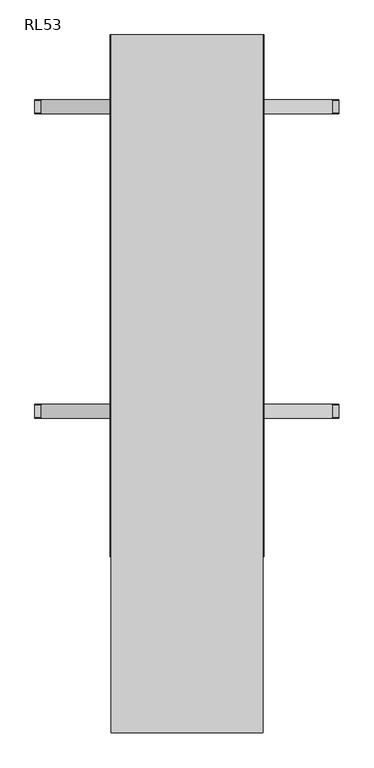
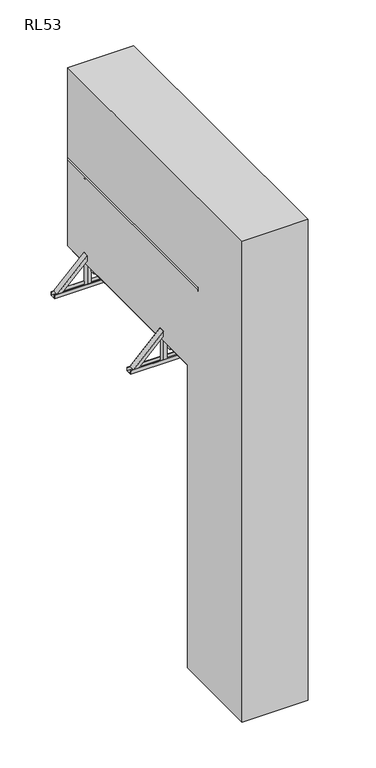
"""IFC4 building model written with IfcOpenShell, lengths in millimetres: proxy geometry, RL53."""

from ifc_helpers import new_model, si_unit, point, frame, frame_2d, origin, place, context, project, spatial, polyline, circle_curve, trimmed, segment, composite_curve, outline, extrude, faceted_brep, source, transform, mapped, element, save
from ifc_brep_helpers import plane_surface, cylinder_surface, advanced_brep


def rl53_a4d0a04e(model_context):
    return source(origin(), model_context, "Body", "SolidModel", [
        extrude(outline(composite_curve([segment(polyline([(-53.0, 3074.8181818), (-53.0, 3091.8181818)]), True, "CONTINUOUS"), segment(trimmed(circle_curve(frame_2d((-30.5, 3078.847028)), 25.9711538), [point((-53.0, 3091.8181818))], [point((-8.0, 3091.8181818))], False, "CARTESIAN"), True, "CONTINUOUS"), segment(polyline([(-8.0, 3091.8181818), (-8.0, 3074.8181818), (-53.0, 3074.8181818)]), True, "CONTINUOUS")], self_intersect=False)), frame((-262.0, 0.0, 0.0), z_axis=(1.0, 0.0, 0.0), x_axis=(0.0, 1.0, 0.0)), (0.0, 0.0, 1.0), 524.0),
        extrude(outline(composite_curve([segment(polyline([(-53.0, 2779.6363636), (-53.0, 2796.6363636)]), True, "CONTINUOUS"), segment(trimmed(circle_curve(frame_2d((-30.5, 2783.6652098)), 25.9711538), [point((-53.0, 2796.6363636))], [point((-8.0, 2796.6363636))], False, "CARTESIAN"), True, "CONTINUOUS"), segment(polyline([(-8.0, 2796.6363636), (-8.0, 2779.6363636), (-53.0, 2779.6363636)]), True, "CONTINUOUS")], self_intersect=False)), frame((-262.0, 0.0, 0.0), z_axis=(1.0, 0.0, 0.0), x_axis=(0.0, 1.0, 0.0)), (0.0, 0.0, 1.0), 524.0),
        extrude(outline(composite_curve([segment(polyline([(-53.0, 2484.4545455), (-53.0, 2501.4545455)]), True, "CONTINUOUS"), segment(trimmed(circle_curve(frame_2d((-30.5, 2488.4833916)), 25.9711538), [point((-53.0, 2501.4545455))], [point((-8.0, 2501.4545455))], False, "CARTESIAN"), True, "CONTINUOUS"), segment(polyline([(-8.0, 2501.4545455), (-8.0, 2484.4545455), (-53.0, 2484.4545455)]), True, "CONTINUOUS")], self_intersect=False)), frame((-262.0, 0.0, 0.0), z_axis=(1.0, 0.0, 0.0), x_axis=(0.0, 1.0, 0.0)), (0.0, 0.0, 1.0), 524.0),
        extrude(outline(composite_curve([segment(polyline([(-53.0, 2189.2727273), (-53.0, 2206.2727273)]), True, "CONTINUOUS"), segment(trimmed(circle_curve(frame_2d((-30.5, 2193.3015734)), 25.9711538), [point((-53.0, 2206.2727273))], [point((-8.0, 2206.2727273))], False, "CARTESIAN"), True, "CONTINUOUS"), segment(polyline([(-8.0, 2206.2727273), (-8.0, 2189.2727273), (-53.0, 2189.2727273)]), True, "CONTINUOUS")], self_intersect=False)), frame((-262.0, 0.0, 0.0), z_axis=(1.0, 0.0, 0.0), x_axis=(0.0, 1.0, 0.0)), (0.0, 0.0, 1.0), 524.0),
        extrude(outline(composite_curve([segment(polyline([(-53.0, 1894.0909091), (-53.0, 1911.0909091)]), True, "CONTINUOUS"), segment(trimmed(circle_curve(frame_2d((-30.5, 1898.1197552)), 25.9711538), [point((-53.0, 1911.0909091))], [point((-8.0, 1911.0909091))], False, "CARTESIAN"), True, "CONTINUOUS"), segment(polyline([(-8.0, 1911.0909091), (-8.0, 1894.0909091), (-53.0, 1894.0909091)]), True, "CONTINUOUS")], self_intersect=False)), frame((-262.0, 0.0, 0.0), z_axis=(1.0, 0.0, 0.0), x_axis=(0.0, 1.0, 0.0)), (0.0, 0.0, 1.0), 524.0),
        extrude(outline(composite_curve([segment(polyline([(-53.0, 1598.9090909), (-53.0, 1615.9090909)]), True, "CONTINUOUS"), segment(trimmed(circle_curve(frame_2d((-30.5, 1602.9379371)), 25.9711538), [point((-53.0, 1615.9090909))], [point((-8.0, 1615.9090909))], False, "CARTESIAN"), True, "CONTINUOUS"), segment(polyline([(-8.0, 1615.9090909), (-8.0, 1598.9090909), (-53.0, 1598.9090909)]), True, "CONTINUOUS")], self_intersect=False)), frame((-262.0, 0.0, 0.0), z_axis=(1.0, 0.0, 0.0), x_axis=(0.0, 1.0, 0.0)), (0.0, 0.0, 1.0), 524.0),
        extrude(outline(composite_curve([segment(polyline([(-53.0, 1303.7272727), (-53.0, 1320.7272727)]), True, "CONTINUOUS"), segment(trimmed(circle_curve(frame_2d((-30.5, 1307.7561189)), 25.9711538), [point((-53.0, 1320.7272727))], [point((-8.0, 1320.7272727))], False, "CARTESIAN"), True, "CONTINUOUS"), segment(polyline([(-8.0, 1320.7272727), (-8.0, 1303.7272727), (-53.0, 1303.7272727)]), True, "CONTINUOUS")], self_intersect=False)), frame((-262.0, 0.0, 0.0), z_axis=(1.0, 0.0, 0.0), x_axis=(0.0, 1.0, 0.0)), (0.0, 0.0, 1.0), 524.0),
        extrude(outline(composite_curve([segment(polyline([(-53.0, 1008.5454545), (-53.0, 1025.5454545)]), True, "CONTINUOUS"), segment(trimmed(circle_curve(frame_2d((-30.5, 1012.5743007)), 25.9711538), [point((-53.0, 1025.5454545))], [point((-8.0, 1025.5454545))], False, "CARTESIAN"), True, "CONTINUOUS"), segment(polyline([(-8.0, 1025.5454545), (-8.0, 1008.5454545), (-53.0, 1008.5454545)]), True, "CONTINUOUS")], self_intersect=False)), frame((-262.0, 0.0, 0.0), z_axis=(1.0, 0.0, 0.0), x_axis=(0.0, 1.0, 0.0)), (0.0, 0.0, 1.0), 524.0),
        extrude(outline(composite_curve([segment(polyline([(-53.0, 713.3636364), (-53.0, 730.3636364)]), True, "CONTINUOUS"), segment(trimmed(circle_curve(frame_2d((-30.5, 717.3924825)), 25.9711538), [point((-53.0, 730.3636364))], [point((-8.0, 730.3636364))], False, "CARTESIAN"), True, "CONTINUOUS"), segment(polyline([(-8.0, 730.3636364), (-8.0, 713.3636364), (-53.0, 713.3636364)]), True, "CONTINUOUS")], self_intersect=False)), frame((-262.0, 0.0, 0.0), z_axis=(1.0, 0.0, 0.0), x_axis=(0.0, 1.0, 0.0)), (0.0, 0.0, 1.0), 524.0),
        extrude(outline(composite_curve([segment(polyline([(-53.0, 418.1818182), (-53.0, 435.1818182)]), True, "CONTINUOUS"), segment(trimmed(circle_curve(frame_2d((-30.5, 422.2106643)), 25.9711538), [point((-53.0, 435.1818182))], [point((-8.0, 435.1818182))], False, "CARTESIAN"), True, "CONTINUOUS"), segment(polyline([(-8.0, 435.1818182), (-8.0, 418.1818182), (-53.0, 418.1818182)]), True, "CONTINUOUS")], self_intersect=False)), frame((-262.0, 0.0, 0.0), z_axis=(1.0, 0.0, 0.0), x_axis=(0.0, 1.0, 0.0)), (0.0, 0.0, 1.0), 524.0),
        extrude(outline(composite_curve([segment(polyline([(-53.0, 3370.0), (-53.0, 3387.0)]), True, "CONTINUOUS"), segment(trimmed(circle_curve(frame_2d((-30.5, 3374.0288462)), 25.9711538), [point((-53.0, 3387.0))], [point((-8.0, 3387.0))], False, "CARTESIAN"), True, "CONTINUOUS"), segment(polyline([(-8.0, 3387.0), (-8.0, 3370.0), (-53.0, 3370.0)]), True, "CONTINUOUS")], self_intersect=False)), frame((-262.0, 0.0, 0.0), z_axis=(1.0, 0.0, 0.0), x_axis=(0.0, 1.0, 0.0)), (0.0, 0.0, 1.0), 524.0),
        extrude(outline(composite_curve([segment(polyline([(-53.0, 123.0), (-53.0, 140.0)]), True, "CONTINUOUS"), segment(trimmed(circle_curve(frame_2d((-30.5, 127.0288462)), 25.9711538), [point((-53.0, 140.0))], [point((-8.0, 140.0))], False, "CARTESIAN"), True, "CONTINUOUS"), segment(polyline([(-8.0, 140.0), (-8.0, 123.0), (-53.0, 123.0)]), True, "CONTINUOUS")], self_intersect=False)), frame((-262.0, 0.0, 0.0), z_axis=(1.0, 0.0, 0.0), x_axis=(0.0, 1.0, 0.0)), (0.0, 0.0, 1.0), 524.0),
        extrude(outline(polyline([(300.0, -59.5), (262.0, -59.5), (262.0, -1.5), (300.0, -1.5), (300.0, -59.5)])), frame((0.0, 0.0, 3.0), z_axis=(0.0, 0.0, 1.0), x_axis=(1.0, 0.0, 0.0)), (0.0, 0.0, 1.0), 4447.0),
        extrude(outline(polyline([(-262.0, -59.5), (-300.0, -59.5), (-300.0, -1.5), (-262.0, -1.5), (-262.0, -59.5)])), frame((0.0, 0.0, 3.0), z_axis=(0.0, 0.0, 1.0), x_axis=(1.0, 0.0, 0.0)), (0.0, 0.0, 1.0), 4447.0),
        faceted_brep([(-303.5, -250.5, 0.0), (-250.5, -250.5, 0.0), (-250.5, -250.5, 3.0), (-300.5, -250.5, 3.0), (-303.5, -250.5, 3.0), (-300.5, 109.5, 3.0), (-250.5, 109.5, 3.0), (-250.5, 109.5, 0.0), (-303.5, 109.5, 0.0), (-303.5, 109.5, 3.0), (-300.5, -203.5, 50.0), (-300.5, 62.5, 50.0), (-303.5, 62.5, 50.0), (-303.5, -203.5, 50.0)], [[[0, 1, 2, 3, 4]], [[5, 6, 7, 8, 9]], [[10, 11, 12, 13]], [[8, 0, 4, 13, 12, 9]], [[1, 0, 8, 7]], [[2, 1, 7, 6]], [[3, 2, 6, 5]], [[3, 5, 11, 10]], [[5, 9, 12, 11]], [[4, 3, 10, 13]]]),
        faceted_brep([(300.5, -250.5, 3.0), (250.5, -250.5, 3.0), (250.5, -250.5, 0.0), (303.5, -250.5, 0.0), (303.5, -250.5, 3.0), (303.5, 109.5, 0.0), (250.5, 109.5, 0.0), (250.5, 109.5, 3.0), (300.5, 109.5, 3.0), (303.5, 109.5, 3.0), (303.5, 62.5, 50.0), (303.5, -203.5, 50.0), (300.5, 62.5, 50.0), (300.5, -203.5, 50.0)], [[[0, 1, 2, 3, 4]], [[5, 6, 7, 8, 9]], [[1, 0, 8, 7]], [[2, 1, 7, 6]], [[3, 2, 6, 5]], [[3, 5, 9, 10, 11, 4]], [[11, 10, 12, 13]], [[8, 0, 13, 12]], [[9, 8, 12, 10]], [[0, 4, 11, 13]]]),
        advanced_brep(
        [(309.5, 2400.0, 3886.25), (309.5, 2400.0, 3859.75), (309.5, 41.3809842, 3886.25), (309.5, 41.3809842, 3859.75), (294.5187617, 41.3809842, 3893.0)],
        [
            (0, 1),
            (1, 0, circle_curve(frame((294.5187617, 2400.0, 3873.0), z_axis=(0.0, 1.0, 0.0), x_axis=(-1.0, 0.0, 0.0)), 20.0)),
            (0, 2),
            (2, 3),
            (3, 1),
            (3, 4, circle_curve(frame((294.5187617, 41.3809842, 3873.0), z_axis=(0.0, 1.0, 0.0), x_axis=(-1.0, 0.0, 0.0)), 20.0)),
            (4, 2, circle_curve(frame((294.5187617, 41.3809842, 3873.0), z_axis=(0.0, 1.0, 0.0), x_axis=(-1.0, 0.0, 0.0)), 20.0)),
        ],
        [
            plane_surface(frame((274.5187617, 2400.0, 3873.0), z_axis=(0.0, 1.0, 0.0), x_axis=(0.0, 0.0, 1.0))),
            plane_surface(frame((309.5, 0.0, 3859.75), z_axis=(1.0, 0.0, 0.0), x_axis=(0.0, 1.0, 0.0))),
            cylinder_surface(frame((294.5187617, 2400.0, 3873.0), z_axis=(0.0, -1.0, 0.0), x_axis=(-1.0, 0.0, 0.0)), 20.0),
            plane_surface(frame((372.2487373, 41.3809842, 3400.0), z_axis=(0.0, -1.0, 0.0), x_axis=(-1.0, 0.0, 0.0))),
        ],
        [
            (0, [[1, 2]]),
            (1, [[-1, 3, 4, 5]]),
            (2, [[-2, -5, 6, 7, -3]]),
            (3, [[-4, -7, -6]]),
        ],
    ),
        advanced_brep(
        [(-309.5, 2400.0, 3886.25), (-309.5, 2400.0, 3859.75), (-309.5, 41.3809842, 3859.75), (-309.5, 41.3809842, 3886.25), (-294.5187617, 41.3809842, 3893.0)],
        [
            (0, 1, circle_curve(frame((-294.5187617, 2400.0, 3873.0), z_axis=(0.0, 1.0, 0.0), x_axis=(1.0, 0.0, 0.0)), 20.0)),
            (1, 0),
            (1, 2),
            (2, 3),
            (3, 0),
            (3, 4, circle_curve(frame((-294.5187617, 41.3809842, 3873.0), z_axis=(0.0, 1.0, 0.0), x_axis=(1.0, 0.0, 0.0)), 20.0)),
            (4, 2, circle_curve(frame((-294.5187617, 41.3809842, 3873.0), z_axis=(0.0, 1.0, 0.0), x_axis=(1.0, 0.0, 0.0)), 20.0)),
        ],
        [
            plane_surface(frame((-309.5, 2400.0, 3859.75), z_axis=(0.0, 1.0, 0.0), x_axis=(0.0, 0.0, 1.0))),
            plane_surface(frame((-309.5, 0.0, 3886.25), z_axis=(-1.0, 0.0, 0.0), x_axis=(0.0, 1.0, 0.0))),
            cylinder_surface(frame((-294.5187617, 2400.0, 3873.0), z_axis=(0.0, -1.0, 0.0), x_axis=(1.0, 0.0, 0.0)), 20.0),
            plane_surface(frame((372.2487373, 41.3809842, 3400.0), z_axis=(0.0, -1.0, 0.0), x_axis=(-1.0, 0.0, 0.0))),
        ],
        [
            (0, [[1, 2]]),
            (1, [[-2, 3, 4, 5]]),
            (2, [[-1, -5, 6, 7, -3]]),
            (3, [[-4, -7, -6]]),
        ],
    ),
        advanced_brep(
        [(307.5, 0.0, 4361.43534), (307.5, 0.0, 4343.0), (349.5, 0.0, 4343.0), (349.5, 0.0, 4361.43534), (328.5, 0.0, 4400.0), (349.5, 2400.0, 4361.43534), (349.5, 2400.0, 4343.0), (307.5, 2400.0, 4343.0), (307.5, 2400.0, 4361.43534)],
        [
            (0, 1),
            (1, 2),
            (2, 3),
            (3, 4, circle_curve(frame((328.5, 0.0, 4375.0), z_axis=(0.0, -1.0, 0.0), x_axis=(-1.0, 0.0, 0.0)), 25.0)),
            (4, 0, circle_curve(frame((328.5, 0.0, 4375.0), z_axis=(0.0, -1.0, 0.0), x_axis=(-1.0, 0.0, 0.0)), 25.0)),
            (5, 6),
            (6, 7),
            (7, 8),
            (8, 5, circle_curve(frame((328.5, 2400.0, 4375.0), z_axis=(0.0, 1.0, 0.0), x_axis=(-1.0, 0.0, 0.0)), 25.0)),
            (2, 6),
            (5, 3),
            (1, 7),
            (0, 8),
        ],
        [
            plane_surface(frame((303.5, 0.0, 4375.0), z_axis=(0.0, -1.0, 0.0), x_axis=(0.0, 0.0, -1.0))),
            plane_surface(frame((303.5, 2400.0, 4375.0), z_axis=(0.0, 1.0, 0.0), x_axis=(0.0, 0.0, 1.0))),
            plane_surface(frame((349.5, 0.0, 4343.0), z_axis=(1.0, 0.0, 0.0), x_axis=(0.0, 1.0, 0.0))),
            plane_surface(frame((307.5, 0.0, 4343.0), z_axis=(0.0, 0.0, -1.0), x_axis=(0.0, 1.0, 0.0))),
            plane_surface(frame((307.5, 0.0, 4361.43534), z_axis=(-1.0, 0.0, 0.0), x_axis=(0.0, 1.0, 0.0))),
            cylinder_surface(frame((328.5, 2400.0, 4375.0), z_axis=(0.0, -1.0, 0.0), x_axis=(-1.0, 0.0, 0.0)), 25.0),
        ],
        [
            (0, [[1, 2, 3, 4, 5]]),
            (1, [[6, 7, 8, 9]]),
            (2, [[-3, 10, -6, 11]]),
            (3, [[-2, 12, -7, -10]]),
            (4, [[-1, 13, -8, -12]]),
            (5, [[-9, -13, -5, -4, -11]]),
        ],
    ),
        advanced_brep(
        [(-349.5, 0.0, 4361.43534), (-349.5, 0.0, 4343.0), (-307.5, 0.0, 4343.0), (-307.5, 0.0, 4361.43534), (-328.5, 0.0, 4400.0), (-349.5, 2400.0, 4361.43534), (-307.5, 2400.0, 4361.43534), (-307.5, 2400.0, 4343.0), (-349.5, 2400.0, 4343.0)],
        [
            (0, 1),
            (1, 2),
            (2, 3),
            (3, 4, circle_curve(frame((-328.5, 0.0, 4375.0), z_axis=(0.0, -1.0, 0.0), x_axis=(1.0, 0.0, 0.0)), 25.0)),
            (4, 0, circle_curve(frame((-328.5, 0.0, 4375.0), z_axis=(0.0, -1.0, 0.0), x_axis=(1.0, 0.0, 0.0)), 25.0)),
            (5, 6, circle_curve(frame((-328.5, 2400.0, 4375.0), z_axis=(0.0, 1.0, 0.0), x_axis=(1.0, 0.0, 0.0)), 25.0)),
            (6, 7),
            (7, 8),
            (8, 5),
            (0, 5),
            (8, 1),
            (7, 2),
            (6, 3),
        ],
        [
            plane_surface(frame((-349.5, 0.0, 4343.0), z_axis=(0.0, -1.0, 0.0), x_axis=(0.0, 0.0, -1.0))),
            plane_surface(frame((-349.5, 2400.0, 4343.0), z_axis=(0.0, 1.0, 0.0), x_axis=(0.0, 0.0, 1.0))),
            plane_surface(frame((-349.5, 0.0, 4361.43534), z_axis=(-1.0, 0.0, 0.0), x_axis=(0.0, 1.0, 0.0))),
            plane_surface(frame((-349.5, 0.0, 4343.0), z_axis=(0.0, 0.0, -1.0), x_axis=(0.0, 1.0, 0.0))),
            plane_surface(frame((-307.5, 0.0, 4343.0), z_axis=(1.0, 0.0, 0.0), x_axis=(0.0, 1.0, 0.0))),
            cylinder_surface(frame((-328.5, 2400.0, 4375.0), z_axis=(0.0, -1.0, 0.0), x_axis=(1.0, 0.0, 0.0)), 25.0),
        ],
        [
            (0, [[1, 2, 3, 4, 5]]),
            (1, [[6, 7, 8, 9]]),
            (2, [[-1, 10, -9, 11]]),
            (3, [[-2, -11, -8, 12]]),
            (4, [[-3, -12, -7, 13]]),
            (5, [[-6, -10, -5, -4, -13]]),
        ],
    ),
        extrude(outline(polyline([(300.0, 2400.0), (300.0, 0.0), (-300.0, 0.0), (-300.0, 2400.0), (300.0, 2400.0)]), holes=[polyline([(262.0, 2362.0), (-262.0, 2362.0), (-262.0, 38.0), (262.0, 38.0), (262.0, 2362.0)])]), frame((0.0, 0.0, 3324.2375855), z_axis=(0.0, 0.0, 1.0), x_axis=(1.0, 0.0, 0.0)), (0.0, 0.0, 1.0), 57.2624145),
        extrude(outline(polyline([(699.5, 3188.0), (702.5, 3188.0), (702.5, 3150.0), (637.5, 3150.0), (637.5, 3188.0), (640.5, 3188.0), (640.5, 3153.0), (699.5, 3153.0), (699.5, 3188.0)])), frame((-700.0, 0.0, 0.0), z_axis=(1.0, 0.0, 0.0), x_axis=(0.0, 1.0, 0.0)), (0.0, 0.0, 1.0), 1400.0),
        extrude(outline(polyline([(2102.5, 3188.0), (2102.5, 3150.0), (2037.5, 3150.0), (2037.5, 3188.0), (2040.5, 3188.0), (2040.5, 3153.0), (2099.5, 3153.0), (2099.5, 3188.0), (2102.5, 3188.0)])), frame((-700.0, 0.0, 0.0), z_axis=(1.0, 0.0, 0.0), x_axis=(0.0, 1.0, 0.0)), (0.0, 0.0, 1.0), 1400.0),
        extrude(outline(polyline([(-29.0, -38.0), (-32.0, -38.0), (-32.0, 0.0), (32.0, 0.0), (32.0, -38.0), (29.0, -38.0), (29.0, -2.9999999), (-29.0, -2.9999999), (-29.0, -38.0)])), frame((670.0, 670.0, 3188.0), z_axis=(-0.7071067811865459, 0.0, 0.7071067811865492), x_axis=(0.0, -1.0, 0.0)), (0.0, 0.0, 1.0), 456.0838739),
        extrude(outline(polyline([(-29.0, 38.0), (-29.0, 2.9999999), (29.0, 2.9999999), (29.0, 38.0), (32.0, 38.0), (32.0, 0.0), (-32.0, 0.0), (-32.0, 38.0), (-29.0, 38.0)])), frame((-670.0, 670.0, 3188.0), z_axis=(0.7071067811865526, 0.0, 0.7071067811865425), x_axis=(0.0, -1.0, 0.0)), (0.0, 0.0, 1.0), 456.0838739),
        extrude(outline(polyline([(-29.0, -38.0), (-32.0, -38.0), (-32.0, 0.0), (32.0, 0.0), (32.0, -38.0), (29.0, -38.0), (29.0, -2.9999999), (-29.0, -2.9999999), (-29.0, -38.0)])), frame((670.0, 2070.0, 3188.0), z_axis=(-0.7071067811865461, 0.0, 0.7071067811865491), x_axis=(0.0, -1.0, 0.0)), (0.0, 0.0, 1.0), 456.0838739),
        extrude(outline(polyline([(-29.0, 38.0), (-29.0, 2.9999999), (29.0, 2.9999999), (29.0, 38.0), (32.0, 38.0), (32.0, 0.0), (-32.0, 0.0), (-32.0, 38.0), (-29.0, 38.0)])), frame((-670.0, 2070.0, 3188.0), z_axis=(0.7071067811865526, 0.0, 0.7071067811865425), x_axis=(0.0, -1.0, 0.0)), (0.0, 0.0, 1.0), 456.0838739),
        extrude(outline(polyline([(347.5, 699.0), (347.5, 641.0), (309.5, 641.0), (309.5, 699.0), (347.5, 699.0)])), frame((0.0, 0.0, 3153.0), z_axis=(0.0, 0.0, 1.0), x_axis=(1.0, 0.0, 0.0)), (0.0, 0.0, 1.0), 1190.0),
        extrude(outline(polyline([(347.5, 2099.0), (347.5, 2041.0), (309.5, 2041.0), (309.5, 2099.0), (347.5, 2099.0)])), frame((0.0, 0.0, 3153.0), z_axis=(0.0, 0.0, 1.0), x_axis=(1.0, 0.0, 0.0)), (0.0, 0.0, 1.0), 1190.0),
        extrude(outline(polyline([(-309.5, 2099.0), (-309.5, 2041.0), (-347.5, 2041.0), (-347.5, 2099.0), (-309.5, 2099.0)])), frame((0.0, 0.0, 3153.0), z_axis=(0.0, 0.0, 1.0), x_axis=(1.0, 0.0, 0.0)), (0.0, 0.0, 1.0), 1190.0),
        extrude(outline(polyline([(-309.5, 699.0), (-309.5, 641.0), (-347.5, 641.0), (-347.5, 699.0), (-309.5, 699.0)])), frame((0.0, 0.0, 3153.0), z_axis=(0.0, 0.0, 1.0), x_axis=(1.0, 0.0, 0.0)), (0.0, 0.0, 1.0), 1190.0),
        extrude(outline(polyline([(300.0, 2400.0), (300.0, 0.0), (-300.0, 0.0), (-300.0, 2400.0), (300.0, 2400.0)])), frame((0.0, 0.0, 3381.5), z_axis=(0.0, 0.0, 1.0), x_axis=(1.0, 0.0, 0.0)), (0.0, 0.0, 1.0), 18.5),
        extrude(outline(polyline([(0.0, -75.0156698), (0.0, 0.0), (6.0, 0.0), (6.0, -75.0156698), (0.0, -75.0156698)])), frame((300.0, 61.9987697, 3324.2375855), z_axis=(0.0, -0.22820939732088094, 0.9736120741724809), x_axis=(1.0, 0.0, 0.0)), (0.0, 0.0, 1.0), 56.5477611),
        extrude(outline(polyline([(0.0, -75.0156698), (0.0, 0.0), (6.0, 0.0), (6.0, -75.0156698), (0.0, -75.0156698)])), frame((-300.0, -11.0373922, 3307.1183047), z_axis=(0.0, -0.22820939732088089, 0.9736120741724809), x_axis=(-1.0, 0.0, 0.0)), (0.0, 0.0, 1.0), 56.5477611),
        extrude(outline(polyline([(300.0, 1990.0), (300.0, 2150.0), (309.5, 2150.0), (309.5, 1990.0), (300.0, 1990.0)])), frame((0.0, 0.0, 3320.0), z_axis=(0.0, 0.0, 1.0), x_axis=(1.0, 0.0, 0.0)), (0.0, 0.0, 1.0), 80.0),
        extrude(outline(polyline([(300.0, 590.0), (300.0, 750.0), (309.5, 750.0), (309.5, 590.0), (300.0, 590.0)])), frame((0.0, 0.0, 3320.0), z_axis=(0.0, 0.0, 1.0), x_axis=(1.0, 0.0, 0.0)), (0.0, 0.0, 1.0), 80.0),
        extrude(outline(polyline([(-300.0, 2150.0), (-300.0, 1990.0), (-309.5, 1990.0), (-309.5, 2150.0), (-300.0, 2150.0)])), frame((0.0, 0.0, 3320.0), z_axis=(0.0, 0.0, 1.0), x_axis=(1.0, 0.0, 0.0)), (0.0, 0.0, 1.0), 80.0),
        extrude(outline(polyline([(-300.0, 750.0), (-300.0, 590.0), (-309.5, 590.0), (-309.5, 750.0), (-300.0, 750.0)])), frame((0.0, 0.0, 3320.0), z_axis=(0.0, 0.0, 1.0), x_axis=(1.0, 0.0, 0.0)), (0.0, 0.0, 1.0), 80.0),
        extrude(outline(polyline([(262.0, 1831.0), (262.0, 1793.0), (-262.0, 1793.0), (-262.0, 1831.0), (262.0, 1831.0)])), frame((0.0, 0.0, 3323.5), z_axis=(0.0, 0.0, 1.0), x_axis=(1.0, 0.0, 0.0)), (0.0, 0.0, 1.0), 58.0),
        extrude(outline(polyline([(262.0, 1240.5), (262.0, 1202.5), (-262.0, 1202.5), (-262.0, 1240.5), (262.0, 1240.5)])), frame((0.0, 0.0, 3323.5), z_axis=(0.0, 0.0, 1.0), x_axis=(1.0, 0.0, 0.0)), (0.0, 0.0, 1.0), 58.0),
        extrude(outline(polyline([(262.0, 650.0), (262.0, 612.0), (-262.0, 612.0), (-262.0, 650.0), (262.0, 650.0)])), frame((0.0, 0.0, 3323.5), z_axis=(0.0, 0.0, 1.0), x_axis=(1.0, 0.0, 0.0)), (0.0, 0.0, 1.0), 58.0),
        extrude(outline(polyline([(200.0, 3400.0), (200.0, 0.0), (-809.5, 0.0), (-809.5, 5400.0), (2400.0, 5400.0), (2400.0, 3400.0), (200.0, 3400.0)])), frame((-350.0, 0.0, 0.0), z_axis=(1.0, 0.0, 0.0), x_axis=(0.0, 1.0, 0.0)), (0.0, 0.0, 1.0), 700.0),
        extrude(outline(polyline([(306.5, 200.0), (306.5, -30.5), (300.5, -30.5), (300.5, 195.0), (-300.5, 195.0), (-300.5, -30.5), (-306.5, -30.5), (-306.5, 200.0), (306.5, 200.0)])), frame((0.0, 0.0, 2760.0), z_axis=(0.0, 0.0, 1.0), x_axis=(1.0, 0.0, 0.0)), (0.0, 0.0, 1.0), 80.0),
        extrude(outline(polyline([(306.5, 200.0), (306.5, -30.5), (300.5, -30.5), (300.5, 195.0), (-300.5, 195.0), (-300.5, -30.5), (-306.5, -30.5), (-306.5, 200.0), (306.5, 200.0)])), frame((0.0, 0.0, 1360.0), z_axis=(0.0, 0.0, 1.0), x_axis=(1.0, 0.0, 0.0)), (0.0, 0.0, 1.0), 80.0),
        extrude(outline(polyline([(306.5, 200.0), (306.5, -30.5), (300.5, -30.5), (300.5, 195.0), (-300.5, 195.0), (-300.5, -30.5), (-306.5, -30.5), (-306.5, 200.0), (306.5, 200.0)])), frame((0.0, 0.0, 1360.0), z_axis=(0.0, 0.0, 1.0), x_axis=(1.0, 0.0, 0.0)), (0.0, 0.0, 1.0), 80.0),
    ])


if __name__ == "__main__":
    model = new_model("IFC4")
    model_context = context("Model", 3, world=origin())
    ifc_project = project(units=[si_unit("LENGTHUNIT", "METRE", prefix="MILLI")], contexts=[model_context])
    site = spatial("IfcSite", under=ifc_project)
    building = spatial("IfcBuilding", under=site)
    placement = place(None, origin())
    rl53_shape = rl53_a4d0a04e(model_context)
    element("IfcBuildingElementProxy", 1, Name="RL53", ObjectType="RL53", at=placement, inside=building, context=model_context, shape_type="MappedRepresentation", body=[
        mapped(rl53_shape, transform((0.0, 0.0, 0.0), x_axis=(1.0, 0.0, 0.0), y_axis=(0.0, 1.0, 0.0), z_axis=(0.0, 0.0, 1.0))),
    ])
    save(model, "model.ifc")
